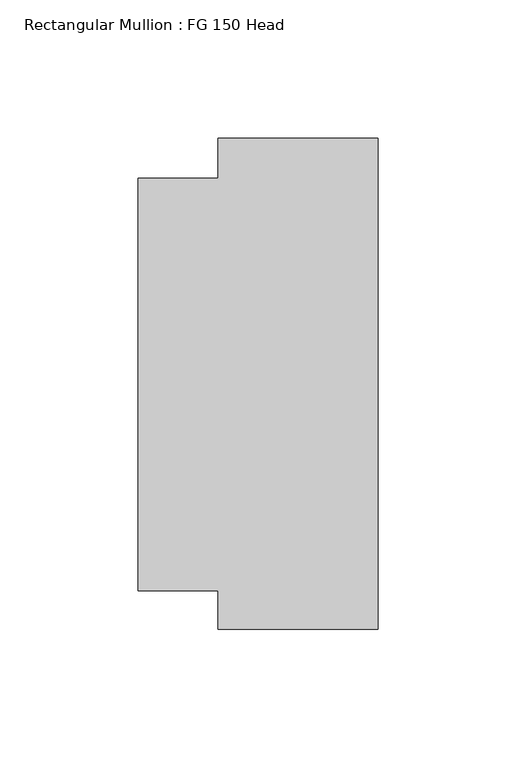
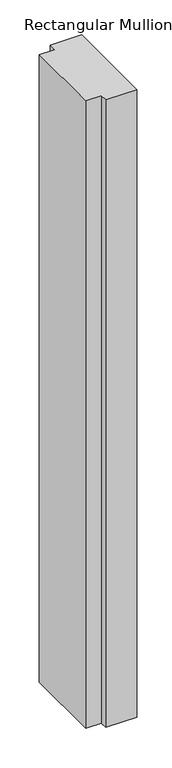
"""IFC4 building model written with IfcOpenShell, lengths in millimetres: member geometry, Rectangular Mullion : FG 150 Head."""

from ifc_helpers import new_model, si_unit, frame, origin, place, context, project, spatial, polyline, outline, extrude, source, transform, mapped, element, save


def rectangular_mullion_fg_150_head_9613632d(model_context):
    return source(origin(), model_context, "Body", "SweptSolid", [
        extrude(outline(polyline([(0.0, -88.9972639), (-58.0, -88.9972639), (-58.0, -74.9972639), (-87.0, -74.9972639), (-87.0, 74.5027361), (-58.0, 74.5027361), (-58.0, 89.0027361), (0.0, 89.0027361), (0.0, -88.9972639)])), frame((0.0, 0.0, -1238.8331729), z_axis=(0.0, 0.0, 1.0), x_axis=(1.0, 0.0, 0.0)), (0.0, 0.0, 1.0), 1238.8331729),
    ])


if __name__ == "__main__":
    model = new_model("IFC4")
    model_context = context("Model", 3, world=origin())
    ifc_project = project(units=[si_unit("LENGTHUNIT", "METRE", prefix="MILLI")], contexts=[model_context])
    site = spatial("IfcSite", under=ifc_project)
    building = spatial("IfcBuilding", under=site)
    placement = place(None, origin())
    rectangular_mullion_fg_150_head_shape = rectangular_mullion_fg_150_head_9613632d(model_context)
    element("IfcMember", 1, ObjectType="Rectangular Mullion : FG 150 Head", at=placement, inside=building, context=model_context, shape_type="MappedRepresentation", body=[
        mapped(rectangular_mullion_fg_150_head_shape, transform((0.0, 0.0, 0.0), x_axis=(1.0, 0.0, 0.0), y_axis=(0.0, 1.0, 0.0), z_axis=(0.0, 0.0, 1.0))),
    ])
    save(model, "model.ifc")
